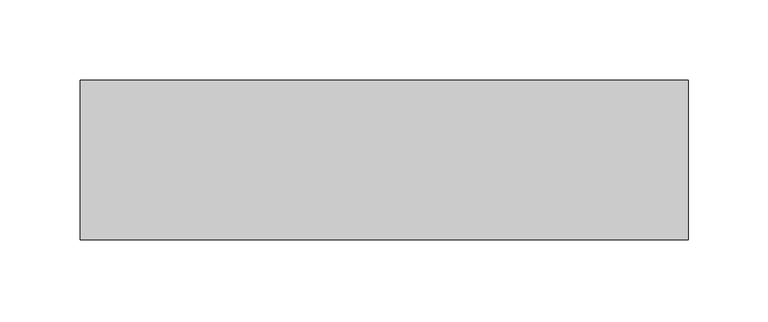
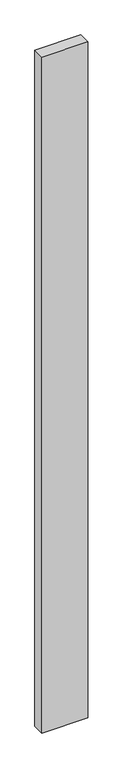
"""IFC4 building model written with IfcOpenShell, lengths in millimetres: proxy geometry."""

from ifc_helpers import new_model, si_unit, frame, origin, place, context, project, spatial, polyline, outline, extrude, source, transform, mapped, element, save


def generic_models_f52ea075(model_context):
    return source(origin(), model_context, "Body", "SweptSolid", [
        extrude(outline(polyline([(380.0, 100.0), (380.0, 0.0), (0.0, 0.0), (0.0, 100.0), (380.0, 100.0)])), frame((0.0, 0.0, -5900.0), z_axis=(0.0, 0.0, 1.0), x_axis=(1.0, 0.0, 0.0)), (0.0, 0.0, 1.0), 5900.0),
    ])


if __name__ == "__main__":
    model = new_model("IFC4")
    model_context = context("Model", 3, world=origin())
    ifc_project = project(units=[si_unit("LENGTHUNIT", "METRE", prefix="MILLI")], contexts=[model_context])
    site = spatial("IfcSite", under=ifc_project)
    building = spatial("IfcBuilding", under=site)
    placement = place(None, origin())
    generic_models_shape = generic_models_f52ea075(model_context)
    element("IfcBuildingElementProxy", 1, Name="Generic Models", at=placement, inside=building, context=model_context, shape_type="MappedRepresentation", body=[
        mapped(generic_models_shape, transform((0.0, 0.0, 0.0), x_axis=(1.0, 0.0, 0.0), y_axis=(0.0, 1.0, 0.0), z_axis=(0.0, 0.0, 1.0))),
    ])
    save(model, "model.ifc")
